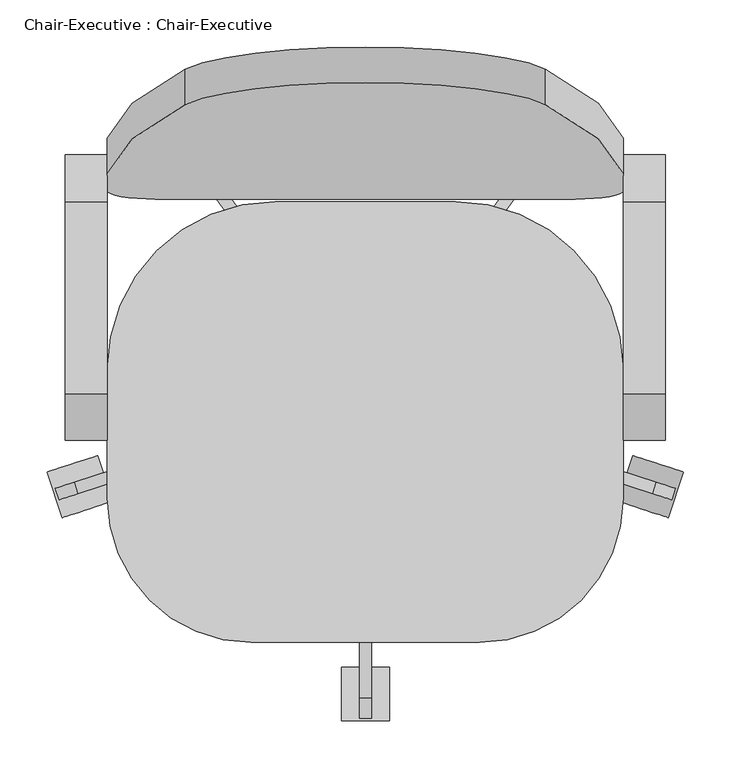
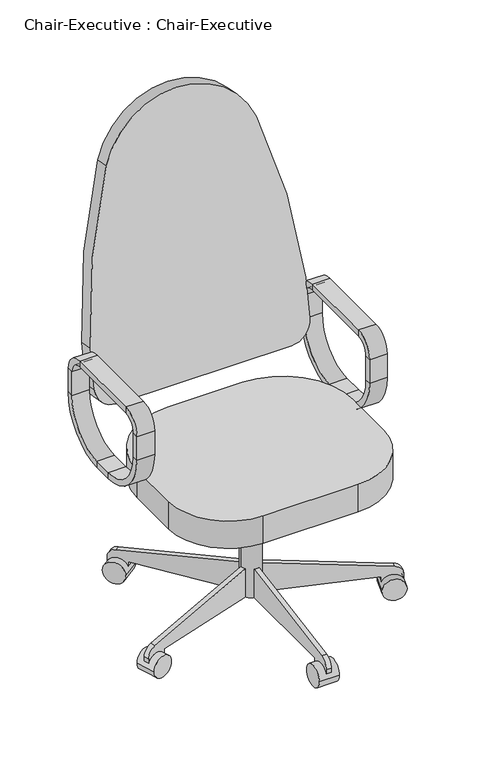
"""IFC4 building model written with IfcOpenShell, lengths in millimetres: furniture geometry, Chair-Executive : Chair-Executive."""

from ifc_helpers import new_model, si_unit, point, frame, frame_2d, origin, place, context, project, spatial, polyline, circle_curve, trimmed, segment, composite_curve, outline, extrude, source, transform, mapped, element, save
from ifc_brep_helpers import plane_surface, cylinder_surface, revolved_surface, advanced_brep


def chair_executive_chair_executive_a5be4872(model_context):
    return source(origin(), model_context, "Body", "SolidModel", [
        advanced_brep(
        [(-176.5091803, 217.7873012, 546.1), (-176.5091803, 233.6623012, 546.1), (-176.5091803, 108.0540984, 420.4917972), (-176.5091803, 108.0540984, 436.3667972), (-132.0591803, 217.7873012, 546.1), (-132.0591803, 108.0540984, 436.3667972), (-132.0591803, 233.6623012, 546.1), (-132.0591803, 108.0540984, 420.4917972), (-176.5091803, 217.7873012, 609.6), (-176.5091803, 233.6623012, 609.6), (-132.0591803, 217.7873012, 609.6), (-132.0591803, 233.6623012, 609.6), (-176.5091803, 184.2540984, 643.1332028), (-176.5091803, 184.2540984, 659.0082028), (-132.0591803, 184.2540984, 643.1332028), (-132.0591803, 184.2540984, 659.0082028), (-176.5091803, -18.9459016, 643.1332028), (-176.5091803, -18.9459016, 659.0082028), (-132.0591803, -18.9459016, 643.1332028), (-132.0591803, -18.9459016, 659.0082028), (-176.5091803, -52.4791044, 609.6), (-176.5091803, -68.3541044, 609.6), (-132.0591803, -52.4791044, 609.6), (-132.0591803, -68.3541044, 609.6), (-176.5091803, -52.4791044, 546.1), (-176.5091803, -68.3541044, 546.1), (-132.0591803, -52.4791044, 546.1), (-132.0591803, -68.3541044, 546.1), (-176.5091803, 57.2540984, 436.3667972), (-176.5091803, 57.2540984, 420.4917972), (-132.0591803, 57.2540984, 436.3667972), (-132.0591803, 57.2540984, 420.4917972)],
        [
            (0, 1),
            (1, 2, circle_curve(frame((-176.5091803, 108.0540984, 546.1), z_axis=(-1.0, 0.0, 0.0), x_axis=(0.0, 0.0, -1.0)), 125.6082028)),
            (2, 3),
            (3, 0, circle_curve(frame((-176.5091803, 108.0540984, 546.1), z_axis=(1.0, 0.0, 0.0), x_axis=(0.0, 0.0, -1.0)), 109.7332028)),
            (4, 0),
            (3, 5),
            (5, 4, circle_curve(frame((-132.0591803, 108.0540984, 546.1), z_axis=(1.0, 0.0, 0.0), x_axis=(0.0, 0.0, -1.0)), 109.7332028)),
            (6, 4),
            (5, 7),
            (7, 6, circle_curve(frame((-132.0591803, 108.0540984, 546.1), z_axis=(1.0, 0.0, 0.0), x_axis=(0.0, 0.0, -1.0)), 125.6082028)),
            (1, 6),
            (7, 2),
            (0, 8),
            (8, 9),
            (9, 1),
            (4, 10),
            (10, 8),
            (6, 11),
            (11, 10),
            (9, 11),
            (12, 13),
            (13, 9, circle_curve(frame((-176.5091803, 184.2540984, 609.6), z_axis=(-1.0, 0.0, 0.0), x_axis=(0.0, 1.0, 0.0)), 49.4082028)),
            (8, 12, circle_curve(frame((-176.5091803, 184.2540984, 609.6), z_axis=(1.0, 0.0, 0.0), x_axis=(0.0, 1.0, 0.0)), 33.5332028)),
            (14, 12),
            (10, 14, circle_curve(frame((-132.0591803, 184.2540984, 609.6), z_axis=(1.0, 0.0, 0.0), x_axis=(0.0, 1.0, 0.0)), 33.5332028)),
            (15, 14),
            (11, 15, circle_curve(frame((-132.0591803, 184.2540984, 609.6), z_axis=(1.0, 0.0, 0.0), x_axis=(0.0, 1.0, 0.0)), 49.4082028)),
            (13, 15),
            (12, 16),
            (16, 17),
            (17, 13),
            (14, 18),
            (18, 16),
            (15, 19),
            (19, 18),
            (17, 19),
            (20, 21),
            (21, 17, circle_curve(frame((-176.5091803, -18.9459016, 609.6), z_axis=(-1.0, 0.0, 0.0), x_axis=(0.0, 0.0, 1.0)), 49.4082028)),
            (16, 20, circle_curve(frame((-176.5091803, -18.9459016, 609.6), z_axis=(1.0, 0.0, 0.0), x_axis=(0.0, 0.0, 1.0)), 33.5332028)),
            (22, 20),
            (18, 22, circle_curve(frame((-132.0591803, -18.9459016, 609.6), z_axis=(1.0, 0.0, 0.0), x_axis=(0.0, 0.0, 1.0)), 33.5332028)),
            (23, 22),
            (19, 23, circle_curve(frame((-132.0591803, -18.9459016, 609.6), z_axis=(1.0, 0.0, 0.0), x_axis=(0.0, 0.0, 1.0)), 49.4082028)),
            (21, 23),
            (20, 24),
            (24, 25),
            (25, 21),
            (22, 26),
            (26, 24),
            (23, 27),
            (27, 26),
            (25, 27),
            (28, 29),
            (29, 25, circle_curve(frame((-176.5091803, 57.2540984, 546.1), z_axis=(-1.0, 0.0, 0.0), x_axis=(0.0, -1.0, 0.0)), 125.6082028)),
            (24, 28, circle_curve(frame((-176.5091803, 57.2540984, 546.1), z_axis=(1.0, 0.0, 0.0), x_axis=(0.0, -1.0, 0.0)), 109.7332028)),
            (30, 28),
            (26, 30, circle_curve(frame((-132.0591803, 57.2540984, 546.1), z_axis=(1.0, 0.0, 0.0), x_axis=(0.0, -1.0, 0.0)), 109.7332028)),
            (31, 30),
            (27, 31, circle_curve(frame((-132.0591803, 57.2540984, 546.1), z_axis=(1.0, 0.0, 0.0), x_axis=(0.0, -1.0, 0.0)), 125.6082028)),
            (29, 31),
            (28, 3),
            (2, 29),
            (30, 5),
            (31, 7),
        ],
        [
            plane_surface(frame((-176.5091803, 108.0540984, 546.1), z_axis=(-1.0, 0.0, 0.0), x_axis=(0.0, 0.0, -1.0))),
            revolved_surface(polyline([(-176.5091803, 108.0540984, 436.3667972), (-132.0591803, 108.0540984, 436.3667972)]), (-132.0591803, 108.0540984, 546.1), (-1.0, 0.0, 0.0)),
            plane_surface(frame((-132.0591803, 108.0540984, 546.1), z_axis=(1.0, 0.0, 0.0), x_axis=(0.0, 0.0, -1.0))),
            cylinder_surface(frame((-132.0591803, 108.0540984, 546.1), z_axis=(-1.0, 0.0, 0.0), x_axis=(0.0, 0.0, -1.0)), 125.6082028),
            plane_surface(frame((-176.5091803, 233.6623012, 546.1), z_axis=(-1.0, 0.0, 0.0), x_axis=(0.0, 0.0, 1.0))),
            plane_surface(frame((-176.5091803, 217.7873012, 546.1), z_axis=(0.0, -1.0, 0.0), x_axis=(0.0, 0.0, 1.0))),
            plane_surface(frame((-132.0591803, 217.7873012, 546.1), z_axis=(1.0, 0.0, 0.0), x_axis=(0.0, 0.0, 1.0))),
            plane_surface(frame((-132.0591803, 233.6623012, 546.1), z_axis=(0.0, 1.0, 0.0), x_axis=(0.0, 0.0, 1.0))),
            plane_surface(frame((-176.5091803, 184.2540984, 609.6), z_axis=(-1.0, 0.0, 0.0), x_axis=(0.0, 1.0, 0.0))),
            revolved_surface(polyline([(-176.5091803, 217.7873012, 609.6), (-132.0591803, 217.7873012, 609.6)]), (-132.0591803, 184.2540984, 609.6), (-1.0, 0.0, 0.0)),
            plane_surface(frame((-132.0591803, 184.2540984, 609.6), z_axis=(1.0, 0.0, 0.0), x_axis=(0.0, 1.0, 0.0))),
            cylinder_surface(frame((-132.0591803, 184.2540984, 609.6), z_axis=(-1.0, 0.0, 0.0), x_axis=(0.0, 1.0, 0.0)), 49.4082028),
            plane_surface(frame((-176.5091803, 184.2540984, 659.0082028), z_axis=(-1.0, 0.0, 0.0), x_axis=(0.0, -1.0, 0.0))),
            plane_surface(frame((-176.5091803, 184.2540984, 643.1332028), z_axis=(0.0, 0.0, -1.0), x_axis=(0.0, -1.0, 0.0))),
            plane_surface(frame((-132.0591803, 184.2540984, 643.1332028), z_axis=(1.0, 0.0, 0.0), x_axis=(0.0, -1.0, 0.0))),
            plane_surface(frame((-132.0591803, 184.2540984, 659.0082028), z_axis=(0.0, 0.0, 1.0), x_axis=(0.0, -1.0, 0.0))),
            plane_surface(frame((-176.5091803, -18.9459016, 609.6), z_axis=(-1.0, 0.0, 0.0), x_axis=(0.0, 0.0, 1.0))),
            revolved_surface(polyline([(-176.5091803, -18.9459016, 643.1332028), (-132.0591803, -18.9459016, 643.1332028)]), (-132.0591803, -18.9459016, 609.6), (-1.0, 0.0, 0.0)),
            plane_surface(frame((-132.0591803, -18.9459016, 609.6), z_axis=(1.0, 0.0, 0.0), x_axis=(0.0, 0.0, 1.0))),
            cylinder_surface(frame((-132.0591803, -18.9459016, 609.6), z_axis=(-1.0, 0.0, 0.0), x_axis=(0.0, 0.0, 1.0)), 49.4082028),
            plane_surface(frame((-176.5091803, -68.3541044, 609.6), z_axis=(-1.0, 0.0, 0.0), x_axis=(0.0, 0.0, -1.0))),
            plane_surface(frame((-176.5091803, -52.4791044, 609.6), z_axis=(0.0, 1.0, 0.0), x_axis=(0.0, 0.0, -1.0))),
            plane_surface(frame((-132.0591803, -52.4791044, 609.6), z_axis=(1.0, 0.0, 0.0), x_axis=(0.0, 0.0, -1.0))),
            plane_surface(frame((-132.0591803, -68.3541044, 609.6), z_axis=(0.0, -1.0, 0.0), x_axis=(0.0, 0.0, -1.0))),
            plane_surface(frame((-176.5091803, 57.2540984, 546.1), z_axis=(-1.0, 0.0, 0.0), x_axis=(0.0, -1.0, 0.0))),
            revolved_surface(polyline([(-176.5091803, -52.479104400000004, 546.1), (-132.0591803, -52.479104400000004, 546.1)]), (-132.0591803, 57.2540984, 546.1), (-1.0, 0.0, 0.0)),
            plane_surface(frame((-132.0591803, 57.2540984, 546.1), z_axis=(1.0, 0.0, 0.0), x_axis=(0.0, -1.0, 0.0))),
            cylinder_surface(frame((-132.0591803, 57.2540984, 546.1), z_axis=(-1.0, 0.0, 0.0), x_axis=(0.0, -1.0, 0.0)), 125.6082028),
            plane_surface(frame((-176.5091803, 57.2540984, 420.4917972), z_axis=(-1.0, 0.0, 0.0), x_axis=(0.0, 1.0, 0.0))),
            plane_surface(frame((-176.5091803, 57.2540984, 436.3667972), z_axis=(0.0, 0.0, 1.0), x_axis=(0.0, 1.0, 0.0))),
            plane_surface(frame((-132.0591803, 57.2540984, 436.3667972), z_axis=(1.0, 0.0, 0.0), x_axis=(0.0, 1.0, 0.0))),
            plane_surface(frame((-132.0591803, 57.2540984, 420.4917972), z_axis=(0.0, 0.0, -1.0), x_axis=(0.0, 1.0, 0.0))),
        ],
        [
            (0, [[1, 2, 3, 4]]),
            (1, [[5, -4, 6, 7]]),
            (2, [[8, -7, 9, 10]]),
            (3, [[11, -10, 12, -2]]),
            (4, [[13, 14, 15, -1]]),
            (5, [[16, 17, -13, -5]]),
            (6, [[18, 19, -16, -8]]),
            (7, [[-15, 20, -18, -11]]),
            (8, [[21, 22, -14, 23]]),
            (9, [[24, -23, -17, 25]]),
            (10, [[26, -25, -19, 27]]),
            (11, [[28, -27, -20, -22]]),
            (12, [[29, 30, 31, -21]]),
            (13, [[32, 33, -29, -24]]),
            (14, [[34, 35, -32, -26]]),
            (15, [[-31, 36, -34, -28]]),
            (16, [[37, 38, -30, 39]]),
            (17, [[40, -39, -33, 41]]),
            (18, [[42, -41, -35, 43]]),
            (19, [[44, -43, -36, -38]]),
            (20, [[45, 46, 47, -37]]),
            (21, [[48, 49, -45, -40]]),
            (22, [[50, 51, -48, -42]]),
            (23, [[-47, 52, -50, -44]]),
            (24, [[53, 54, -46, 55]]),
            (25, [[56, -55, -49, 57]]),
            (26, [[58, -57, -51, 59]]),
            (27, [[60, -59, -52, -54]]),
            (28, [[61, -3, 62, -53]]),
            (29, [[63, -6, -61, -56]]),
            (30, [[64, -9, -63, -58]]),
            (31, [[-62, -12, -64, -60]]),
        ],
    ),
        advanced_brep(
        [(414.0408197, 233.6623012, 546.1), (458.4908197, 233.6623012, 546.1), (458.4908197, 108.0540984, 420.4917972), (414.0408197, 108.0540984, 420.4917972), (414.0408197, 217.7873012, 546.1), (414.0408197, 108.0540984, 436.3667972), (458.4908197, 217.7873012, 546.1), (458.4908197, 108.0540984, 436.3667972), (414.0408197, 233.6623012, 609.6), (458.4908197, 233.6623012, 609.6), (414.0408197, 217.7873012, 609.6), (458.4908197, 217.7873012, 609.6), (414.0408197, 184.2540984, 659.0082028), (458.4908197, 184.2540984, 659.0082028), (414.0408197, 184.2540984, 643.1332028), (458.4908197, 184.2540984, 643.1332028), (414.0408197, -18.9459016, 659.0082028), (458.4908197, -18.9459016, 659.0082028), (414.0408197, -18.9459016, 643.1332028), (458.4908197, -18.9459016, 643.1332028), (414.0408197, -68.3541044, 609.6), (458.4908197, -68.3541044, 609.6), (414.0408197, -52.4791044, 609.6), (458.4908197, -52.4791044, 609.6), (414.0408197, -68.3541044, 546.1), (458.4908197, -68.3541044, 546.1), (414.0408197, -52.4791044, 546.1), (458.4908197, -52.4791044, 546.1), (414.0408197, 57.2540984, 420.4917972), (458.4908197, 57.2540984, 420.4917972), (414.0408197, 57.2540984, 436.3667972), (458.4908197, 57.2540984, 436.3667972)],
        [
            (0, 1),
            (1, 2, circle_curve(frame((458.4908197, 108.0540984, 546.1), z_axis=(-1.0, 0.0, 0.0), x_axis=(0.0, 0.0, -1.0)), 125.6082028)),
            (2, 3),
            (3, 0, circle_curve(frame((414.0408197, 108.0540984, 546.1), z_axis=(1.0, 0.0, 0.0), x_axis=(0.0, 0.0, -1.0)), 125.6082028)),
            (4, 0),
            (3, 5),
            (5, 4, circle_curve(frame((414.0408197, 108.0540984, 546.1), z_axis=(1.0, 0.0, 0.0), x_axis=(0.0, 0.0, -1.0)), 109.7332028)),
            (6, 4),
            (5, 7),
            (7, 6, circle_curve(frame((458.4908197, 108.0540984, 546.1), z_axis=(1.0, 0.0, 0.0), x_axis=(0.0, 0.0, -1.0)), 109.7332028)),
            (1, 6),
            (7, 2),
            (0, 8),
            (8, 9),
            (9, 1),
            (4, 10),
            (10, 8),
            (6, 11),
            (11, 10),
            (9, 11),
            (12, 13),
            (13, 9, circle_curve(frame((458.4908197, 184.2540984, 609.6), z_axis=(-1.0, 0.0, 0.0), x_axis=(0.0, 1.0, 0.0)), 49.4082028)),
            (8, 12, circle_curve(frame((414.0408197, 184.2540984, 609.6), z_axis=(1.0, 0.0, 0.0), x_axis=(0.0, 1.0, 0.0)), 49.4082028)),
            (14, 12),
            (10, 14, circle_curve(frame((414.0408197, 184.2540984, 609.6), z_axis=(1.0, 0.0, 0.0), x_axis=(0.0, 1.0, 0.0)), 33.5332028)),
            (15, 14),
            (11, 15, circle_curve(frame((458.4908197, 184.2540984, 609.6), z_axis=(1.0, 0.0, 0.0), x_axis=(0.0, 1.0, 0.0)), 33.5332028)),
            (13, 15),
            (12, 16),
            (16, 17),
            (17, 13),
            (14, 18),
            (18, 16),
            (15, 19),
            (19, 18),
            (17, 19),
            (20, 21),
            (21, 17, circle_curve(frame((458.4908197, -18.9459016, 609.6), z_axis=(-1.0, 0.0, 0.0), x_axis=(0.0, 0.0, 1.0)), 49.4082028)),
            (16, 20, circle_curve(frame((414.0408197, -18.9459016, 609.6), z_axis=(1.0, 0.0, 0.0), x_axis=(0.0, 0.0, 1.0)), 49.4082028)),
            (22, 20),
            (18, 22, circle_curve(frame((414.0408197, -18.9459016, 609.6), z_axis=(1.0, 0.0, 0.0), x_axis=(0.0, 0.0, 1.0)), 33.5332028)),
            (23, 22),
            (19, 23, circle_curve(frame((458.4908197, -18.9459016, 609.6), z_axis=(1.0, 0.0, 0.0), x_axis=(0.0, 0.0, 1.0)), 33.5332028)),
            (21, 23),
            (20, 24),
            (24, 25),
            (25, 21),
            (22, 26),
            (26, 24),
            (23, 27),
            (27, 26),
            (25, 27),
            (28, 29),
            (29, 25, circle_curve(frame((458.4908197, 57.2540984, 546.1), z_axis=(-1.0, 0.0, 0.0), x_axis=(0.0, -1.0, 0.0)), 125.6082028)),
            (24, 28, circle_curve(frame((414.0408197, 57.2540984, 546.1), z_axis=(1.0, 0.0, 0.0), x_axis=(0.0, -1.0, 0.0)), 125.6082028)),
            (30, 28),
            (26, 30, circle_curve(frame((414.0408197, 57.2540984, 546.1), z_axis=(1.0, 0.0, 0.0), x_axis=(0.0, -1.0, 0.0)), 109.7332028)),
            (31, 30),
            (27, 31, circle_curve(frame((458.4908197, 57.2540984, 546.1), z_axis=(1.0, 0.0, 0.0), x_axis=(0.0, -1.0, 0.0)), 109.7332028)),
            (29, 31),
            (28, 3),
            (2, 29),
            (30, 5),
            (31, 7),
        ],
        [
            cylinder_surface(frame((414.0408197, 108.0540984, 546.1), z_axis=(-1.0, 0.0, 0.0), x_axis=(0.0, 0.0, -1.0)), 125.6082028),
            plane_surface(frame((414.0408197, 108.0540984, 546.1), z_axis=(-1.0, 0.0, 0.0), x_axis=(0.0, 0.0, -1.0))),
            revolved_surface(polyline([(414.0408197, 108.0540984, 436.3667972), (458.4908197, 108.0540984, 436.3667972)]), (414.0408197, 108.0540984, 546.1), (-1.0, 0.0, 0.0)),
            plane_surface(frame((458.4908197, 108.0540984, 546.1), z_axis=(1.0, 0.0, 0.0), x_axis=(0.0, 0.0, -1.0))),
            plane_surface(frame((458.4908197, 233.6623012, 546.1), z_axis=(0.0, 1.0, 0.0), x_axis=(0.0, 0.0, 1.0))),
            plane_surface(frame((414.0408197, 233.6623012, 546.1), z_axis=(-1.0, 0.0, 0.0), x_axis=(0.0, 0.0, 1.0))),
            plane_surface(frame((414.0408197, 217.7873012, 546.1), z_axis=(0.0, -1.0, 0.0), x_axis=(0.0, 0.0, 1.0))),
            plane_surface(frame((458.4908197, 217.7873012, 546.1), z_axis=(1.0, 0.0, 0.0), x_axis=(0.0, 0.0, 1.0))),
            cylinder_surface(frame((414.0408197, 184.2540984, 609.6), z_axis=(-1.0, 0.0, 0.0), x_axis=(0.0, 1.0, 0.0)), 49.4082028),
            plane_surface(frame((414.0408197, 184.2540984, 609.6), z_axis=(-1.0, 0.0, 0.0), x_axis=(0.0, 1.0, 0.0))),
            revolved_surface(polyline([(414.0408197, 217.7873012, 609.6), (458.4908197, 217.7873012, 609.6)]), (414.0408197, 184.2540984, 609.6), (-1.0, 0.0, 0.0)),
            plane_surface(frame((458.4908197, 184.2540984, 609.6), z_axis=(1.0, 0.0, 0.0), x_axis=(0.0, 1.0, 0.0))),
            plane_surface(frame((458.4908197, 184.2540984, 659.0082028), z_axis=(0.0, 0.0, 1.0), x_axis=(0.0, -1.0, 0.0))),
            plane_surface(frame((414.0408197, 184.2540984, 659.0082028), z_axis=(-1.0, 0.0, 0.0), x_axis=(0.0, -1.0, 0.0))),
            plane_surface(frame((414.0408197, 184.2540984, 643.1332028), z_axis=(0.0, 0.0, -1.0), x_axis=(0.0, -1.0, 0.0))),
            plane_surface(frame((458.4908197, 184.2540984, 643.1332028), z_axis=(1.0, 0.0, 0.0), x_axis=(0.0, -1.0, 0.0))),
            cylinder_surface(frame((414.0408197, -18.9459016, 609.6), z_axis=(-1.0, 0.0, 0.0), x_axis=(0.0, 0.0, 1.0)), 49.4082028),
            plane_surface(frame((414.0408197, -18.9459016, 609.6), z_axis=(-1.0, 0.0, 0.0), x_axis=(0.0, 0.0, 1.0))),
            revolved_surface(polyline([(414.0408197, -18.9459016, 643.1332028), (458.4908197, -18.9459016, 643.1332028)]), (414.0408197, -18.9459016, 609.6), (-1.0, 0.0, 0.0)),
            plane_surface(frame((458.4908197, -18.9459016, 609.6), z_axis=(1.0, 0.0, 0.0), x_axis=(0.0, 0.0, 1.0))),
            plane_surface(frame((458.4908197, -68.3541044, 609.6), z_axis=(0.0, -1.0, 0.0), x_axis=(0.0, 0.0, -1.0))),
            plane_surface(frame((414.0408197, -68.3541044, 609.6), z_axis=(-1.0, 0.0, 0.0), x_axis=(0.0, 0.0, -1.0))),
            plane_surface(frame((414.0408197, -52.4791044, 609.6), z_axis=(0.0, 1.0, 0.0), x_axis=(0.0, 0.0, -1.0))),
            plane_surface(frame((458.4908197, -52.4791044, 609.6), z_axis=(1.0, 0.0, 0.0), x_axis=(0.0, 0.0, -1.0))),
            cylinder_surface(frame((414.0408197, 57.2540984, 546.1), z_axis=(-1.0, 0.0, 0.0), x_axis=(0.0, -1.0, 0.0)), 125.6082028),
            plane_surface(frame((414.0408197, 57.2540984, 546.1), z_axis=(-1.0, 0.0, 0.0), x_axis=(0.0, -1.0, 0.0))),
            revolved_surface(polyline([(414.0408197, -52.479104400000004, 546.1), (458.4908197, -52.479104400000004, 546.1)]), (414.0408197, 57.2540984, 546.1), (-1.0, 0.0, 0.0)),
            plane_surface(frame((458.4908197, 57.2540984, 546.1), z_axis=(1.0, 0.0, 0.0), x_axis=(0.0, -1.0, 0.0))),
            plane_surface(frame((458.4908197, 57.2540984, 420.4917972), z_axis=(0.0, 0.0, -1.0), x_axis=(0.0, 1.0, 0.0))),
            plane_surface(frame((414.0408197, 57.2540984, 420.4917972), z_axis=(-1.0, 0.0, 0.0), x_axis=(0.0, 1.0, 0.0))),
            plane_surface(frame((414.0408197, 57.2540984, 436.3667972), z_axis=(0.0, 0.0, 1.0), x_axis=(0.0, 1.0, 0.0))),
            plane_surface(frame((458.4908197, 57.2540984, 436.3667972), z_axis=(1.0, 0.0, 0.0), x_axis=(0.0, 1.0, 0.0))),
        ],
        [
            (0, [[1, 2, 3, 4]]),
            (1, [[5, -4, 6, 7]]),
            (2, [[8, -7, 9, 10]]),
            (3, [[11, -10, 12, -2]]),
            (4, [[13, 14, 15, -1]]),
            (5, [[16, 17, -13, -5]]),
            (6, [[18, 19, -16, -8]]),
            (7, [[-15, 20, -18, -11]]),
            (8, [[21, 22, -14, 23]]),
            (9, [[24, -23, -17, 25]]),
            (10, [[26, -25, -19, 27]]),
            (11, [[28, -27, -20, -22]]),
            (12, [[29, 30, 31, -21]]),
            (13, [[32, 33, -29, -24]]),
            (14, [[34, 35, -32, -26]]),
            (15, [[-31, 36, -34, -28]]),
            (16, [[37, 38, -30, 39]]),
            (17, [[40, -39, -33, 41]]),
            (18, [[42, -41, -35, 43]]),
            (19, [[44, -43, -36, -38]]),
            (20, [[45, 46, 47, -37]]),
            (21, [[48, 49, -45, -40]]),
            (22, [[50, 51, -48, -42]]),
            (23, [[-47, 52, -50, -44]]),
            (24, [[53, 54, -46, 55]]),
            (25, [[56, -55, -49, 57]]),
            (26, [[58, -57, -51, 59]]),
            (27, [[60, -59, -52, -54]]),
            (28, [[61, -3, 62, -53]]),
            (29, [[63, -6, -61, -56]]),
            (30, [[64, -9, -63, -58]]),
            (31, [[-62, -12, -64, -60]]),
        ],
    ),
        extrude(outline(composite_curve([segment(polyline([(0.0, 0.0), (-444.5, 0.0)]), True, "CONTINUOUS"), segment(trimmed(circle_curve(frame_2d((-444.5, 50.8)), 50.8), [point((-444.5, 0.0))], [point((-495.3, 50.8))], False, "CARTESIAN"), True, "CONTINUOUS"), segment(polyline([(-495.3, 50.8), (-495.3, 152.4)]), True, "CONTINUOUS"), segment(trimmed(circle_curve(frame_2d((1026.7021854, 74.3913617)), 1524.0), [point((-495.3, 152.4))], [point((-412.75, 574.9444618))], False, "CARTESIAN"), True, "CONTINUOUS"), segment(trimmed(circle_curve(frame_2d((-222.25, 504.2338544)), 203.2), [point((-412.75, 574.9444618))], [point((-31.75, 574.9444618))], False, "CARTESIAN"), True, "CONTINUOUS"), segment(trimmed(circle_curve(frame_2d((-1471.2021854, 74.3913617)), 1524.0), [point((-31.75, 574.9444618))], [point((50.8, 152.4))], False, "CARTESIAN"), True, "CONTINUOUS"), segment(polyline([(50.8, 152.4), (50.8, 50.8)]), True, "CONTINUOUS"), segment(trimmed(circle_curve(frame_2d((0.0, 50.8)), 50.8), [point((50.8, 50.8))], [point((0.0, 0.0))], False, "CARTESIAN"), True, "CONTINUOUS")], self_intersect=False)), frame((363.2408197, 224.5698964, 503.1641822), z_axis=(0.0, -0.9848077530122084, 0.17364817766692853), x_axis=(1.0, 0.0, 0.0)), (0.0, 0.0, 1.0), 38.1),
        extrude(outline(composite_curve([segment(polyline([(-132.0591803, -129.4961016), (-132.0591803, 6.4540984)]), True, "CONTINUOUS"), segment(trimmed(circle_curve(frame_2d((45.7408197, 6.4540984)), 177.8), [point((-132.0591803, 6.4540984))], [point((45.7408197, 184.2540984))], False, "CARTESIAN"), True, "CONTINUOUS"), segment(polyline([(45.7408197, 184.2540984), (236.2408197, 184.2540984)]), True, "CONTINUOUS"), segment(trimmed(circle_curve(frame_2d((236.2408197, 6.4540984)), 177.8), [point((236.2408197, 184.2540984))], [point((414.0408197, 6.4540984))], False, "CARTESIAN"), True, "CONTINUOUS"), segment(polyline([(414.0408197, 6.4540984), (414.0408197, -129.4961016)]), True, "CONTINUOUS"), segment(trimmed(circle_curve(frame_2d((261.6408197, -129.4961016)), 152.4), [point((414.0408197, -129.4961016))], [point((261.6408197, -281.8961016))], False, "CARTESIAN"), True, "CONTINUOUS"), segment(polyline([(261.6408197, -281.8961016), (20.3408197, -281.8961016)]), True, "CONTINUOUS"), segment(trimmed(circle_curve(frame_2d((20.3408197, -129.4961016)), 152.4), [point((20.3408197, -281.8961016))], [point((-132.0591803, -129.4961016))], False, "CARTESIAN"), True, "CONTINUOUS")], self_intersect=False)), frame((0.0, 0.0, 383.7835944), z_axis=(0.0, 0.0, 1.0), x_axis=(1.0, 0.0, 0.0)), (0.0, 0.0, 1.0), 73.4164056),
        extrude(outline(composite_curve([segment(trimmed(circle_curve(frame_2d((140.9908197, -18.9459016)), 25.4), [point((115.5908197, -18.9459016))], [point((166.3908197, -18.9459016))], False, "CARTESIAN"), True, "CONTINUOUS"), segment(trimmed(circle_curve(frame_2d((140.9908197, -18.9459016)), 25.4), [point((166.3908197, -18.9459016))], [point((115.5908197, -18.9459016))], False, "CARTESIAN"), True, "CONTINUOUS")], self_intersect=False)), frame((0.0, 0.0, 53.5835944), z_axis=(0.0, 0.0, 1.0), x_axis=(1.0, 0.0, 0.0)), (0.0, 0.0, 1.0), 330.5914056),
        extrude(outline(composite_curve([segment(trimmed(circle_curve(frame_2d((0.0, 28.2002728)), 28.2002727), [point((0.0, 56.4005455))], [point((0.0, 0.0))], False, "CARTESIAN"), True, "CONTINUOUS"), segment(trimmed(circle_curve(frame_2d((0.0, 28.2002728)), 28.2002727), [point((0.0, 0.0))], [point((0.0, 56.4005455))], False, "CARTESIAN"), True, "CONTINUOUS")], self_intersect=False)), frame((461.9222851, -149.9299964, 28.1835944), z_axis=(0.3090169943749423, 0.9510565162951553, 0.0), x_axis=(0.0, 0.0, -1.0)), (0.0, 0.0, 1.0), 50.8),
        extrude(outline(composite_curve([segment(polyline([(25.4, 0.0), (0.0, 0.0), (0.0, 50.8), (24.303053, 50.8)]), True, "CONTINUOUS"), segment(trimmed(circle_curve(frame_2d((24.303053, 25.4)), 25.4), [point((24.303053, 50.8))], [point((49.3171699, 29.8106636))], False, "CARTESIAN"), True, "CONTINUOUS"), segment(polyline([(49.3171699, 29.8106636), (101.6, -266.7), (101.6, -292.1), (25.4, -292.1), (25.4, 0.0)]), True, "CONTINUOUS")], self_intersect=False)), frame((416.8321702, -115.2489746, 28.1835944), z_axis=(0.3090169943749423, 0.9510565162951553, 0.0), x_axis=(0.0, 0.0, 1.0)), (0.0, 0.0, 1.0), 12.7),
        extrude(outline(composite_curve([segment(trimmed(circle_curve(frame_2d((0.0, 28.2002726)), 28.2002727), [point((0.0, 56.4005454))], [point((0.0, 0.0))], False, "CARTESIAN"), True, "CONTINUOUS"), segment(trimmed(circle_curve(frame_2d((0.0, 28.2002726)), 28.2002727), [point((0.0, 0.0))], [point((0.0, 56.4005454))], False, "CARTESIAN"), True, "CONTINUOUS")], self_intersect=False)), frame((364.7373733, 245.8017485, 28.1835944), z_axis=(-0.8090169943749499, 0.5877852522924699, 0.0), x_axis=(0.0, 0.0, -1.0)), (0.0, 0.0, 1.0), 50.8),
        extrude(outline(composite_curve([segment(polyline([(25.4, 0.0), (0.0, 0.0), (0.0, 50.8), (24.303053, 50.8)]), True, "CONTINUOUS"), segment(trimmed(circle_curve(frame_2d((24.303053, 25.3999999)), 25.4), [point((24.303053, 50.8))], [point((49.3171699, 29.8106637))], False, "CARTESIAN"), True, "CONTINUOUS"), segment(polyline([(49.3171699, 29.8106637), (101.6, -266.7), (101.6, -292.1), (25.4, -292.1), (25.4, 0.0)]), True, "CONTINUOUS")], self_intersect=False)), frame((317.8201498, 213.6355261, 28.1835944), z_axis=(-0.8090169943749499, 0.5877852522924699, 0.0), x_axis=(0.0, 0.0, 1.0)), (0.0, 0.0, 1.0), 12.7),
        extrude(outline(composite_curve([segment(trimmed(circle_curve(frame_2d((0.0, 28.2002726)), 28.2002727), [point((0.0, 56.4005454))], [point((0.0, 0.0))], False, "CARTESIAN"), True, "CONTINUOUS"), segment(trimmed(circle_curve(frame_2d((0.0, 28.2002726)), 28.2002727), [point((0.0, 0.0))], [point((0.0, 56.4005454))], False, "CARTESIAN"), True, "CONTINUOUS")], self_intersect=False)), frame((-82.755734, 245.8017485, 28.1835944), z_axis=(0.8090169943749458, 0.5877852522924754, 0.0), x_axis=(0.0, 0.0, 1.0)), (0.0, 0.0, 1.0), 50.8),
        extrude(outline(composite_curve([segment(polyline([(-25.4, 0.0), (-25.4, -292.1), (-101.6, -292.1), (-101.6, -266.6999999), (-49.3171699, 29.8106637)]), True, "CONTINUOUS"), segment(trimmed(circle_curve(frame_2d((-24.303053, 25.3999999)), 25.4), [point((-49.3171699, 29.8106637))], [point((-24.303053, 50.8))], False, "CARTESIAN"), True, "CONTINUOUS"), segment(polyline([(-24.303053, 50.8), (0.0, 50.8), (0.0, 0.0), (-25.4, 0.0)]), True, "CONTINUOUS")], self_intersect=False)), frame((-35.8385104, 213.6355261, 28.1835944), z_axis=(0.8090169943749459, 0.5877852522924754, 0.0), x_axis=(0.0, 0.0, -1.0)), (0.0, 0.0, 1.0), 12.7),
        extrude(outline(composite_curve([segment(trimmed(circle_curve(frame_2d((0.0, 28.2002727)), 28.2002727), [point((0.0, 56.4005454))], [point((0.0, 0.0))], False, "CARTESIAN"), True, "CONTINUOUS"), segment(trimmed(circle_curve(frame_2d((0.0, 28.2002727)), 28.2002727), [point((0.0, 0.0))], [point((0.0, 56.4005454))], False, "CARTESIAN"), True, "CONTINUOUS")], self_intersect=False)), frame((-179.9406457, -149.9299964, 28.1835944), z_axis=(-0.3090169943749487, 0.9510565162951532, 0.0), x_axis=(0.0, 0.0, 1.0)), (0.0, 0.0, 1.0), 50.8),
        extrude(outline(composite_curve([segment(polyline([(-25.4, 0.0), (-25.4, -292.1), (-101.6, -292.1), (-101.6, -266.7), (-49.3171699, 29.8106637)]), True, "CONTINUOUS"), segment(trimmed(circle_curve(frame_2d((-24.303053, 25.4)), 25.4), [point((-49.3171699, 29.8106637))], [point((-24.303053, 50.8000001))], False, "CARTESIAN"), True, "CONTINUOUS"), segment(polyline([(-24.303053, 50.8000001), (0.0, 50.8000001), (0.0, 0.0), (-25.4, 0.0)]), True, "CONTINUOUS")], self_intersect=False)), frame((-134.8505308, -115.2489746, 28.1835944), z_axis=(-0.3090169943749487, 0.9510565162951532, 0.0), x_axis=(0.0, 0.0, -1.0)), (0.0, 0.0, 1.0), 12.7),
        extrude(outline(composite_curve([segment(trimmed(circle_curve(frame_2d((-336.4459016, 28.1835944)), 28.2002727), [point((-308.2456289, 28.1835944))], [point((-364.6461744, 28.1835944))], False, "CARTESIAN"), True, "CONTINUOUS"), segment(trimmed(circle_curve(frame_2d((-336.4459016, 28.1835944)), 28.2002727), [point((-364.6461744, 28.1835944))], [point((-308.2456289, 28.1835944))], False, "CARTESIAN"), True, "CONTINUOUS")], self_intersect=False)), frame((115.5908197, 0.0, 0.0), z_axis=(1.0, 0.0, 0.0), x_axis=(0.0, 1.0, 0.0)), (0.0, 0.0, 1.0), 50.8),
        extrude(outline(composite_curve([segment(polyline([(-311.0459016, 53.5835944), (-311.0459016, 28.1835944), (-361.8459016, 28.1835944), (-361.8459016, 52.4866474)]), True, "CONTINUOUS"), segment(trimmed(circle_curve(frame_2d((-336.4459016, 52.4866474)), 25.4), [point((-361.8459016, 52.4866474))], [point((-340.8565654, 77.5007643))], False, "CARTESIAN"), True, "CONTINUOUS"), segment(polyline([(-340.8565654, 77.5007643), (-44.3459016, 129.7835944), (-18.9459016, 129.7835944), (-18.9459016, 53.5835944), (-311.0459016, 53.5835944)]), True, "CONTINUOUS")], self_intersect=False)), frame((134.6408197, 0.0, 0.0), z_axis=(1.0, 0.0, 0.0), x_axis=(0.0, 1.0, 0.0)), (0.0, 0.0, 1.0), 12.7),
        extrude(outline(polyline([(-69.7459016, 383.7835944), (19.1540984, 383.7835944), (19.1540984, 283.0954134), (-18.9459016, 283.0954134), (-69.7459016, 371.0835944), (-69.7459016, 383.7835944)])), frame((90.1908197, 0.0, 0.0), z_axis=(1.0, 0.0, 0.0), x_axis=(0.0, 1.0, 0.0)), (0.0, 0.0, 1.0), 101.6),
    ])


if __name__ == "__main__":
    model = new_model("IFC4")
    model_context = context("Model", 3, world=origin())
    ifc_project = project(units=[si_unit("LENGTHUNIT", "METRE", prefix="MILLI")], contexts=[model_context])
    site = spatial("IfcSite", under=ifc_project)
    building = spatial("IfcBuilding", under=site)
    placement = place(None, origin())
    chair_executive_chair_executive_shape = chair_executive_chair_executive_a5be4872(model_context)
    element("IfcFurniture", 1, ObjectType="Chair-Executive : Chair-Executive", at=placement, inside=building, context=model_context, shape_type="MappedRepresentation", body=[
        mapped(chair_executive_chair_executive_shape, transform((0.0, 0.0, 0.0), x_axis=(1.0, 0.0, 0.0), y_axis=(0.0, 1.0, 0.0), z_axis=(0.0, 0.0, 1.0))),
    ])
    save(model, "model.ifc")
